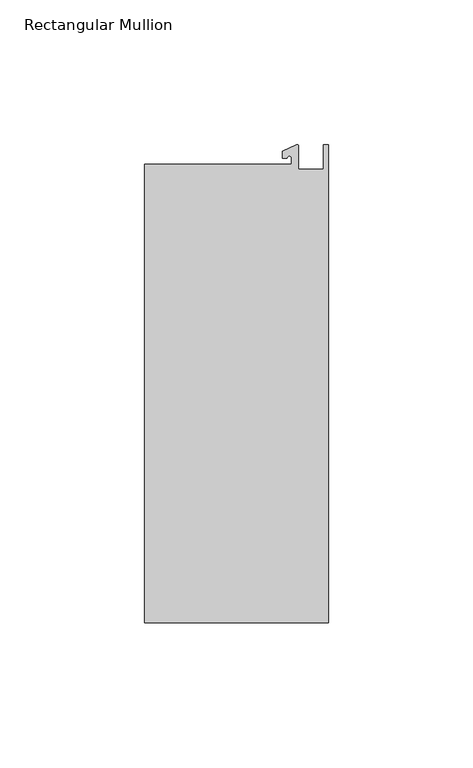
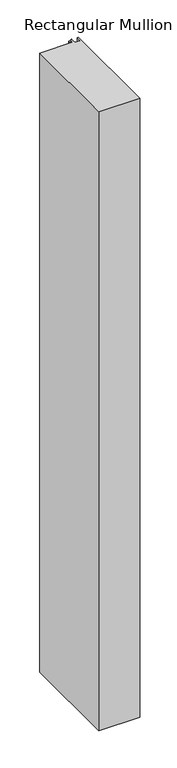
"""IFC4 building model written with IfcOpenShell, lengths in millimetres: member geometry, Rectangular Mullion."""

from ifc_helpers import new_model, si_unit, point, frame, frame_2d, origin, place, context, project, spatial, polyline, circle_curve, trimmed, segment, composite_curve, outline, extrude, source, transform, mapped, element, save


def rectangular_mullion_5ae12732(model_context):
    return source(origin(), model_context, "Body", "SweptSolid", [
        extrude(outline(composite_curve([segment(polyline([(-12.6173814, 25.5984375), (-12.6173814, 27.6780632)]), True, "CONTINUOUS"), segment(trimmed(circle_curve(frame_2d((-13.4111314, 27.6780632)), 0.79375), [point((-12.6173814, 27.6780632))], [point((-14.2048814, 27.6780632))], True, "CARTESIAN"), True, "CONTINUOUS"), segment(polyline([(-14.2048814, 27.6780632), (-15.7923814, 27.6780632), (-15.7923814, 30.0402625), (-10.9524715, 32.2971496)]), True, "CONTINUOUS"), segment(trimmed(circle_curve(frame_2d((-10.7377814, 31.8367452)), 0.508), [point((-10.9524715, 32.2971496))], [point((-10.2297814, 31.8367452))], False, "CARTESIAN"), True, "CONTINUOUS"), segment(polyline([(-10.2297814, 31.8367452), (-10.2297814, 23.9227662), (-1.7144124, 23.9227662), (-1.5658966, 32.288874), (0.0, 32.288874), (0.0, -132.822512), (-63.5, -132.822512), (-63.5, 25.5984375), (-12.6173814, 25.5984375)]), True, "CONTINUOUS")], self_intersect=False)), frame((0.0, 0.0, -1016.0), z_axis=(0.0, 0.0, 1.0), x_axis=(1.0, 0.0, 0.0)), (0.0, 0.0, 1.0), 1016.0),
    ])


if __name__ == "__main__":
    model = new_model("IFC4")
    model_context = context("Model", 3, world=origin())
    ifc_project = project(units=[si_unit("LENGTHUNIT", "METRE", prefix="MILLI")], contexts=[model_context])
    site = spatial("IfcSite", under=ifc_project)
    building = spatial("IfcBuilding", under=site)
    placement = place(None, origin())
    rectangular_mullion_shape = rectangular_mullion_5ae12732(model_context)
    element("IfcMember", 1, ObjectType="Rectangular Mullion", at=placement, inside=building, context=model_context, shape_type="MappedRepresentation", body=[
        mapped(rectangular_mullion_shape, transform((0.0, 0.0, 0.0), x_axis=(1.0, 0.0, 0.0), y_axis=(0.0, 1.0, 0.0), z_axis=(0.0, 0.0, 1.0))),
    ])
    save(model, "model.ifc")
